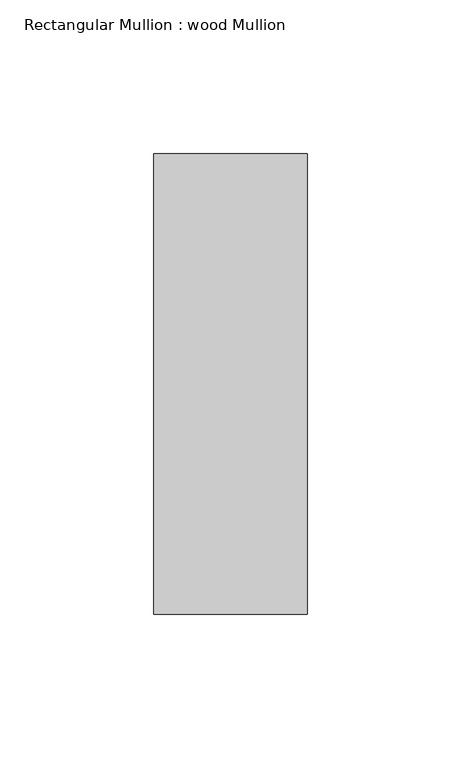
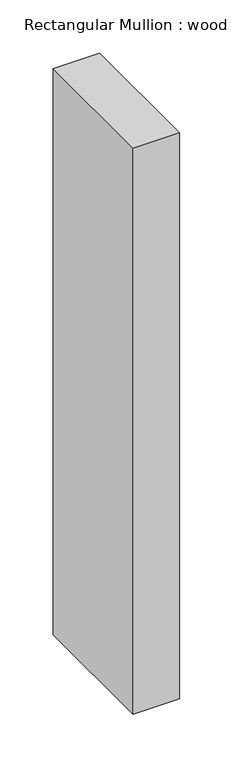
"""IFC4 building model written with IfcOpenShell, lengths in millimetres: member geometry, Rectangular Mullion : wood Mullion."""

from ifc_helpers import new_model, si_unit, frame, origin, place, context, project, spatial, polyline, outline, extrude, source, transform, mapped, element, save


def rectangular_mullion_wood_mullion_55ad0ff6(model_context):
    return source(origin(), model_context, "Body", "SweptSolid", [
        extrude(outline(polyline([(25.0, 75.0), (25.0, -75.0), (-25.0, -75.0), (-25.0, 75.0), (25.0, 75.0)])), frame((0.0, 0.0, -647.5000001), z_axis=(0.0, 0.0, 1.0), x_axis=(1.0, 0.0, 0.0)), (0.0, 0.0, 1.0), 647.5000001),
    ])


if __name__ == "__main__":
    model = new_model("IFC4")
    model_context = context("Model", 3, world=origin())
    ifc_project = project(units=[si_unit("LENGTHUNIT", "METRE", prefix="MILLI")], contexts=[model_context])
    site = spatial("IfcSite", under=ifc_project)
    building = spatial("IfcBuilding", under=site)
    placement = place(None, origin())
    rectangular_mullion_wood_mullion_shape = rectangular_mullion_wood_mullion_55ad0ff6(model_context)
    element("IfcMember", 1, ObjectType="Rectangular Mullion : wood Mullion", at=placement, inside=building, context=model_context, shape_type="MappedRepresentation", body=[
        mapped(rectangular_mullion_wood_mullion_shape, transform((0.0, 0.0, 0.0), x_axis=(1.0, 0.0, 0.0), y_axis=(0.0, 1.0, 0.0), z_axis=(0.0, 0.0, 1.0))),
    ])
    save(model, "model.ifc")
